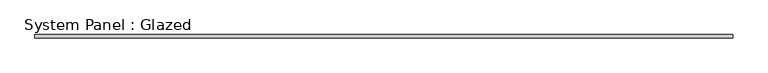
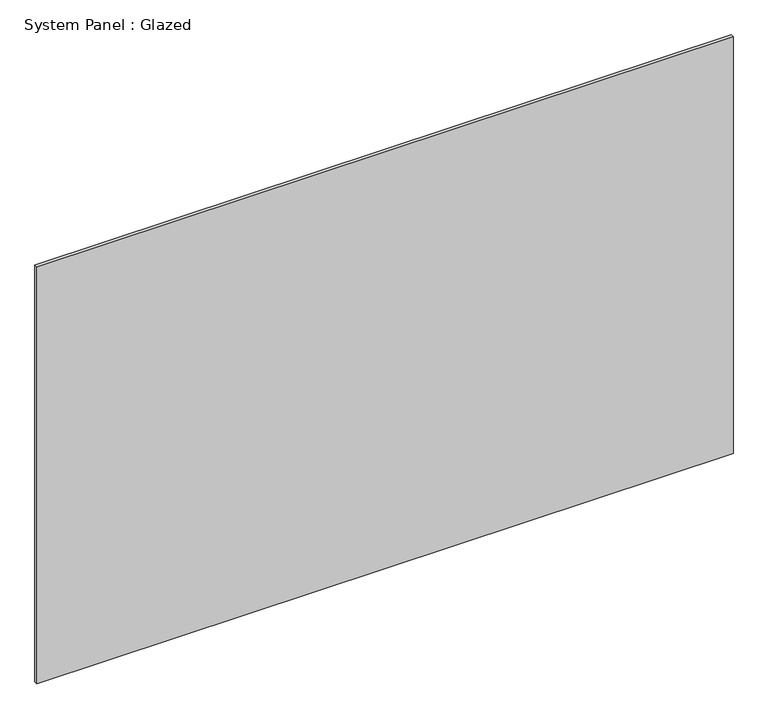
"""IFC4 building model written with IfcOpenShell, lengths in millimetres: plate geometry, System Panel : Glazed."""

from ifc_helpers import new_model, si_unit, origin, origin_with_axes, place, context, project, spatial, polyline, outline, extrude, source, transform, mapped, element, save


def system_panel_glazed_43840aa7(model_context):
    return source(origin(), model_context, "Body", "SweptSolid", [
        extrude(outline(polyline([(2477.775, 19.05), (-2477.775, 19.05), (-2477.775, 44.45), (2477.775, 44.45), (2477.775, 19.05)])), origin_with_axes(), (0.0, 0.0, 1.0), 3136.5),
    ])


if __name__ == "__main__":
    model = new_model("IFC4")
    model_context = context("Model", 3, world=origin())
    ifc_project = project(units=[si_unit("LENGTHUNIT", "METRE", prefix="MILLI")], contexts=[model_context])
    site = spatial("IfcSite", under=ifc_project)
    building = spatial("IfcBuilding", under=site)
    placement = place(None, origin())
    system_panel_glazed_shape = system_panel_glazed_43840aa7(model_context)
    element("IfcPlate", 1, ObjectType="System Panel : Glazed", at=placement, inside=building, context=model_context, shape_type="MappedRepresentation", body=[
        mapped(system_panel_glazed_shape, transform((0.0, 0.0, 0.0), x_axis=(1.0, 0.0, 0.0), y_axis=(0.0, 1.0, 0.0), z_axis=(0.0, 0.0, 1.0))),
    ])
    save(model, "model.ifc")
